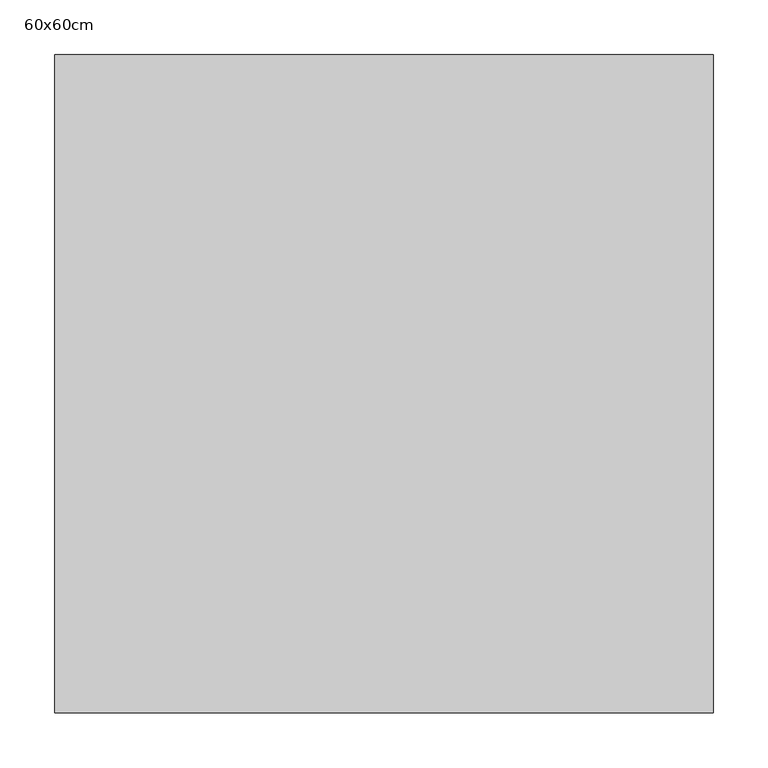
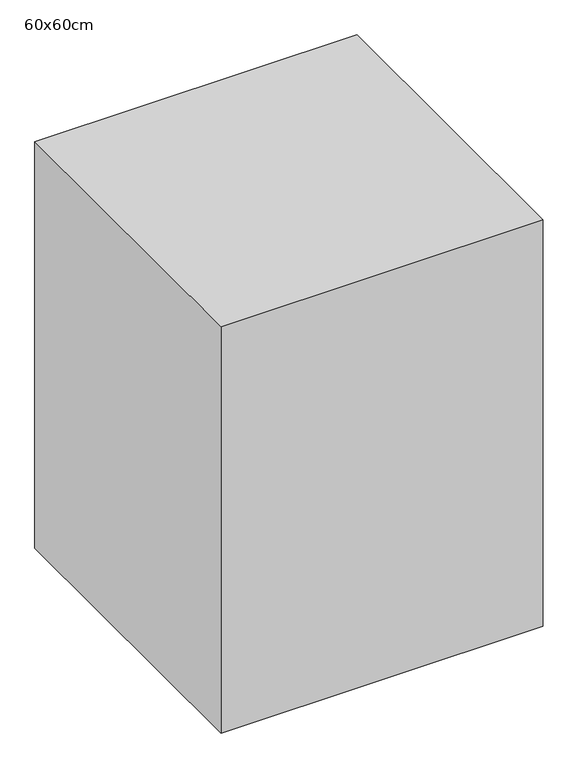
"""IFC4 building model written with IfcOpenShell, lengths in millimetres: proxy geometry, 60x60cm."""

from ifc_helpers import new_model, si_unit, frame, origin, place, context, project, spatial, polyline, outline, extrude, source, transform, mapped, element, save


def proxy_60x60cm_f0264738(model_context):
    return source(origin(), model_context, "Body", "SweptSolid", [
        extrude(outline(polyline([(600.0, 600.0), (600.0, 0.0), (0.0, 0.0), (0.0, 600.0), (600.0, 600.0)])), frame((0.0, 0.0, 3000.0), z_axis=(0.0, 0.0, 1.0), x_axis=(1.0, 0.0, 0.0)), (0.0, 0.0, 1.0), 800.0),
    ])


if __name__ == "__main__":
    model = new_model("IFC4")
    model_context = context("Model", 3, world=origin())
    ifc_project = project(units=[si_unit("LENGTHUNIT", "METRE", prefix="MILLI")], contexts=[model_context])
    site = spatial("IfcSite", under=ifc_project)
    building = spatial("IfcBuilding", under=site)
    placement = place(None, origin())
    proxy_60x60cm_shape = proxy_60x60cm_f0264738(model_context)
    element("IfcBuildingElementProxy", 1, Name="60x60cm", ObjectType="60x60cm", at=placement, inside=building, context=model_context, shape_type="MappedRepresentation", body=[
        mapped(proxy_60x60cm_shape, transform((0.0, 0.0, 0.0), x_axis=(1.0, 0.0, 0.0), y_axis=(0.0, 1.0, 0.0), z_axis=(0.0, 0.0, 1.0))),
    ])
    save(model, "model.ifc")
